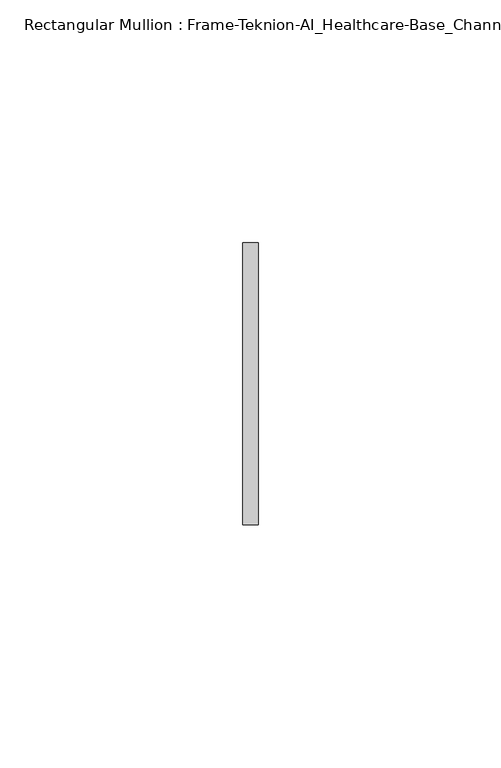
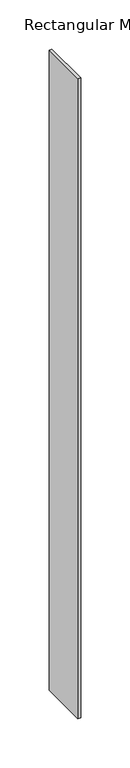
"""IFC4 building model written with IfcOpenShell, lengths in millimetres: member geometry, Rectangular Mullion : Frame-Teknion-AI_Healthcare-Base_Channel."""

from ifc_helpers import new_model, si_unit, frame, origin, place, context, project, spatial, polyline, outline, extrude, source, transform, mapped, element, save


def rectangular_mullion_frame_teknion_ai_healthcare_base_channel_33c13a7c(model_context):
    return source(origin(), model_context, "Body", "SweptSolid", [
        extrude(outline(polyline([(0.0, 29.0214844), (0.0, -29.0214844), (-3.175, -29.0214844), (-3.175, 29.0214844), (0.0, 29.0214844)])), frame((0.0, 0.0, -792.7505611), z_axis=(0.0, 0.0, 1.0), x_axis=(1.0, 0.0, 0.0)), (0.0, 0.0, 1.0), 792.7505611),
    ])


if __name__ == "__main__":
    model = new_model("IFC4")
    model_context = context("Model", 3, world=origin())
    ifc_project = project(units=[si_unit("LENGTHUNIT", "METRE", prefix="MILLI")], contexts=[model_context])
    site = spatial("IfcSite", under=ifc_project)
    building = spatial("IfcBuilding", under=site)
    placement = place(None, origin())
    rectangular_mullion_frame_teknion_ai_healthcare_base_channel_shape = rectangular_mullion_frame_teknion_ai_healthcare_base_channel_33c13a7c(model_context)
    element("IfcMember", 1, ObjectType="Rectangular Mullion : Frame-Teknion-AI_Healthcare-Base_Channel", at=placement, inside=building, context=model_context, shape_type="MappedRepresentation", body=[
        mapped(rectangular_mullion_frame_teknion_ai_healthcare_base_channel_shape, transform((0.0, 0.0, 0.0), x_axis=(1.0, 0.0, 0.0), y_axis=(0.0, 1.0, 0.0), z_axis=(0.0, 0.0, 1.0))),
    ])
    save(model, "model.ifc")
